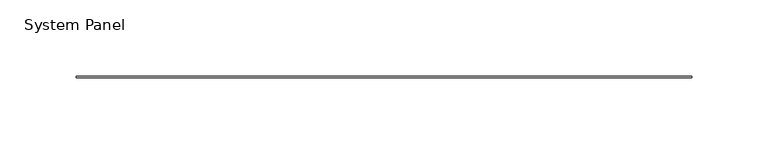
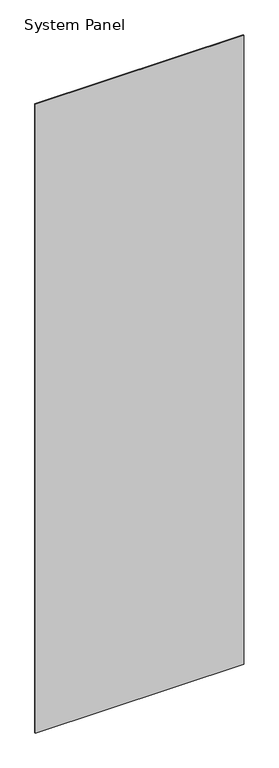
"""IFC4 building model written with IfcOpenShell, lengths in millimetres: plate geometry, System Panel."""

from ifc_helpers import new_model, si_unit, origin, origin_with_axes, place, context, project, spatial, polyline, outline, extrude, source, transform, mapped, element, save


def system_panel_ceb7aea8(model_context):
    return source(origin(), model_context, "Body", "SweptSolid", [
        extrude(outline(polyline([(201.5490002, -0.4960938), (-201.5490002, -0.4960938), (-201.5490002, 0.4960938), (201.5490002, 0.4960938), (201.5490002, -0.4960938)])), origin_with_axes(), (0.0, 0.0, 1.0), 1285.875),
    ])


if __name__ == "__main__":
    model = new_model("IFC4")
    model_context = context("Model", 3, world=origin())
    ifc_project = project(units=[si_unit("LENGTHUNIT", "METRE", prefix="MILLI")], contexts=[model_context])
    site = spatial("IfcSite", under=ifc_project)
    building = spatial("IfcBuilding", under=site)
    placement = place(None, origin())
    system_panel_shape = system_panel_ceb7aea8(model_context)
    element("IfcPlate", 1, ObjectType="System Panel", at=placement, inside=building, context=model_context, shape_type="MappedRepresentation", body=[
        mapped(system_panel_shape, transform((0.0, 0.0, 0.0), x_axis=(1.0, 0.0, 0.0), y_axis=(0.0, 1.0, 0.0), z_axis=(0.0, 0.0, 1.0))),
    ])
    save(model, "model.ifc")
